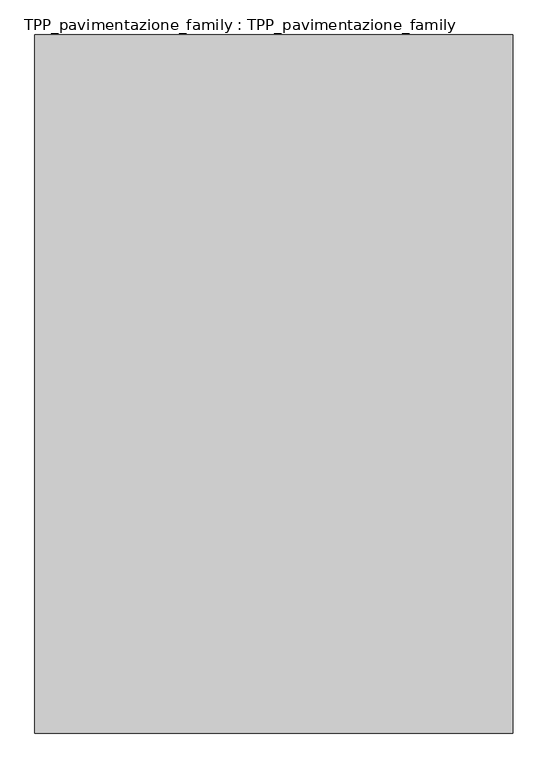
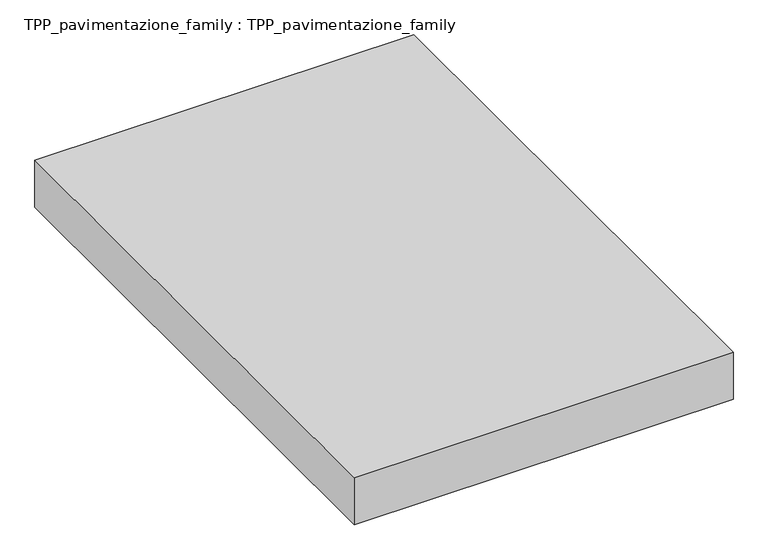
"""IFC4 building model written with IfcOpenShell, lengths in millimetres: proxy geometry, TPP_pavimentazione_family : TPP_pavimentazione_family."""

from ifc_helpers import new_model, si_unit, origin, origin_with_axes, place, context, project, spatial, polyline, outline, extrude, source, transform, mapped, element, save


def tpp_pavimentazione_family_tpp_pavimentazione_family_2e5caa84(model_context):
    return source(origin(), model_context, "Body", "SweptSolid", [
        extrude(outline(polyline([(511.8146187, 354.2201026), (511.8146187, -1311.3649223), (-629.5611139, -1311.3649223), (-629.5611139, 354.2201026), (511.8146187, 354.2201026)])), origin_with_axes(), (0.0, 0.0, 1.0), 150.0),
    ])


if __name__ == "__main__":
    model = new_model("IFC4")
    model_context = context("Model", 3, world=origin())
    ifc_project = project(units=[si_unit("LENGTHUNIT", "METRE", prefix="MILLI")], contexts=[model_context])
    site = spatial("IfcSite", under=ifc_project)
    building = spatial("IfcBuilding", under=site)
    placement = place(None, origin())
    tpp_pavimentazione_family_tpp_pavimentazione_family_shape = tpp_pavimentazione_family_tpp_pavimentazione_family_2e5caa84(model_context)
    element("IfcBuildingElementProxy", 1, Name="TPP_pavimentazione_family : TPP_pavimentazione_family", ObjectType="TPP_pavimentazione_family : TPP_pavimentazione_family", at=placement, inside=building, context=model_context, shape_type="MappedRepresentation", body=[
        mapped(tpp_pavimentazione_family_tpp_pavimentazione_family_shape, transform((0.0, 0.0, 0.0), x_axis=(1.0, 0.0, 0.0), y_axis=(0.0, 1.0, 0.0), z_axis=(0.0, 0.0, 1.0))),
    ])
    save(model, "model.ifc")
